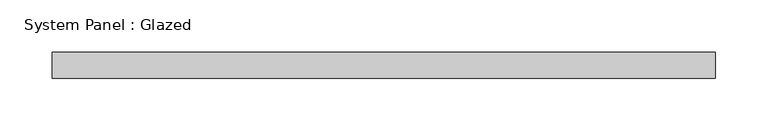
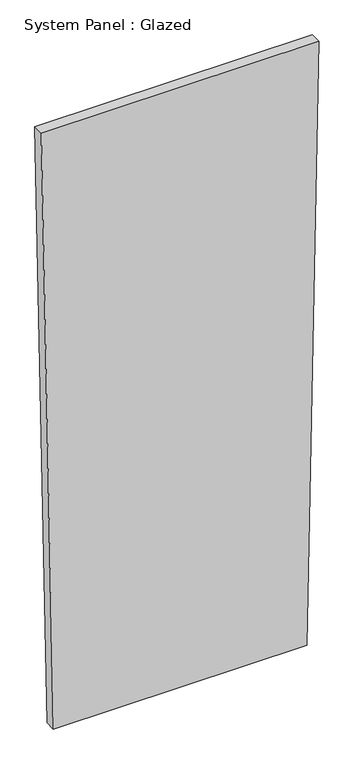
"""IFC4 building model written with IfcOpenShell, lengths in millimetres: plate geometry, System Panel : Glazed."""

from ifc_helpers import new_model, si_unit, frame, origin, place, context, project, spatial, polyline, outline, extrude, source, transform, mapped, element, save


def system_panel_glazed_5f90ddf2(model_context):
    return source(origin(), model_context, "Body", "SweptSolid", [
        extrude(outline(polyline([(0.0, -289.8459553), (0.0, 289.845962), (1449.7212721, 317.794673), (1449.7212713, -317.794673), (0.0, -289.8459553)])), frame((0.0, -49.5, 0.0), z_axis=(0.0, 1.0, 0.0), x_axis=(0.0, 0.0, 1.0)), (0.0, 0.0, 1.0), 25.0),
    ])


if __name__ == "__main__":
    model = new_model("IFC4")
    model_context = context("Model", 3, world=origin())
    ifc_project = project(units=[si_unit("LENGTHUNIT", "METRE", prefix="MILLI")], contexts=[model_context])
    site = spatial("IfcSite", under=ifc_project)
    building = spatial("IfcBuilding", under=site)
    placement = place(None, origin())
    system_panel_glazed_shape = system_panel_glazed_5f90ddf2(model_context)
    element("IfcPlate", 1, ObjectType="System Panel : Glazed", at=placement, inside=building, context=model_context, shape_type="MappedRepresentation", body=[
        mapped(system_panel_glazed_shape, transform((0.0, 0.0, 0.0), x_axis=(1.0, 0.0, 0.0), y_axis=(0.0, 1.0, 0.0), z_axis=(0.0, 0.0, 1.0))),
    ])
    save(model, "model.ifc")
